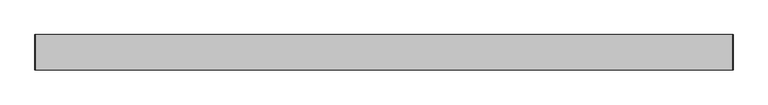
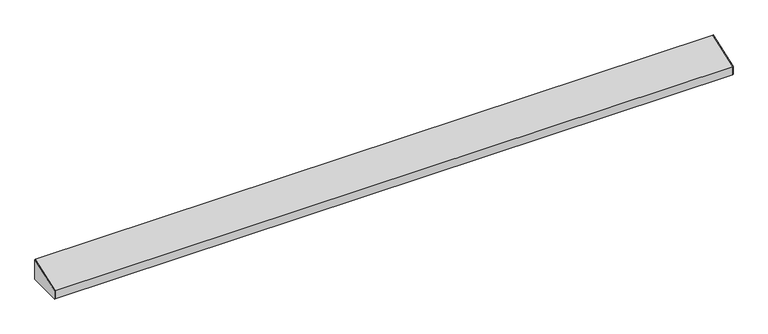
"""IFC4 building model written with IfcOpenShell, lengths in millimetres: furniture geometry."""

import ifcopenshell
import ifcopenshell.guid

model = None  # the IFC model being written
_history = None  # IfcOwnerHistory: only IFC2X3 demands one
_inside = {}  # id of a spatial element -> (the spatial element, [elements in it])
_under = {}  # id of a project, library or spatial element -> (it, [spatial elements below it])
_declared = {}  # id of a project -> (the project, [libraries it declares])
_typed = {}  # id of a type object -> (the type object, [elements of that type])
_made_of = {}  # id of a material, layer set ... -> (it, [elements and type objects made of it])


def new_model(schema):
    """Start an empty IFC model of exactly this schema.

    Asked for "IFC4X3", IfcOpenShell would pick the latest addendum, in which some entities
    have other attributes; the version numbers below select the first issue.
    IFC2X3 requires an IfcOwnerHistory on every rooted entity: one is made here for all.
    """
    global model, _history
    if schema == "IFC4X3":
        model = ifcopenshell.file(schema_version=(4, 3, 0, 0))
    else:
        model = ifcopenshell.file(schema=schema)
    _inside.clear()
    _under.clear()
    _declared.clear()
    _typed.clear()
    _made_of.clear()
    _history = None
    if model.schema == "IFC2X3":
        org = make("IfcOrganization", Name="unknown")
        user = make(
            "IfcPersonAndOrganization",
            ThePerson=make("IfcPerson", FamilyName="unknown"),
            TheOrganization=org,
        )
        app = make(
            "IfcApplication",
            ApplicationDeveloper=org,
            Version="unknown",
            ApplicationFullName="unknown",
            ApplicationIdentifier="unknown",
        )
        _history = make(
            "IfcOwnerHistory",
            OwningUser=user,
            OwningApplication=app,
            ChangeAction="ADDED",
            CreationDate=0,
        )
    return model


def make(cls, **values):
    """One entity of the class cls with the attributes given. An attribute that is None is left unset."""
    return model.create_entity(
        cls, **{name: value for name, value in values.items() if value is not None}
    )


def rooted(cls, **values):
    """An entity with a GlobalId (a new one), such as an element, a storey or a relation."""
    return make(cls, GlobalId=ifcopenshell.guid.new(), OwnerHistory=_history, **values)


def si_unit(unit_type, name, prefix=None):
    """IfcSIUnit, for example si_unit("LENGTHUNIT", "METRE", prefix="MILLI")."""
    return make("IfcSIUnit", UnitType=unit_type, Prefix=prefix, Name=name)


def assignment(units):
    """IfcUnitAssignment: the units of a project."""
    return None if units is None else make("IfcUnitAssignment", Units=units)


def point(xyz):
    """IfcCartesianPoint."""
    return None if xyz is None else make("IfcCartesianPoint", Coordinates=xyz)


def direction(xyz):
    """IfcDirection."""
    return None if xyz is None else make("IfcDirection", DirectionRatios=xyz)


def frame(location, z_axis=None, x_axis=None):
    """IfcAxis2Placement3D, a coordinate frame: its origin and axes. An axis left out is left unset."""
    return make(
        "IfcAxis2Placement3D",
        Location=point(location),
        Axis=direction(z_axis),
        RefDirection=direction(x_axis),
    )


def origin():
    """The frame at (0, 0, 0) with its axes left unset."""
    return frame((0.0, 0.0, 0.0))


def place(relative_to, where):
    """IfcLocalPlacement: puts the frame where relative to a parent placement (None: the world)."""
    return make(
        "IfcLocalPlacement", PlacementRelTo=relative_to, RelativePlacement=where
    )


def context(
    kind, dimensions, precision=None, world=None, true_north=None, identifier=None
):
    """IfcGeometricRepresentationContext, for example the 3D "Model" context."""
    return make(
        "IfcGeometricRepresentationContext",
        ContextIdentifier=identifier,
        ContextType=kind,
        CoordinateSpaceDimension=dimensions,
        Precision=precision,
        WorldCoordinateSystem=world,
        TrueNorth=true_north,
    )


def project(units=None, contexts=None):
    """IfcProject with its units and contexts."""
    return rooted(
        "IfcProject",
        Name="project",
        RepresentationContexts=contexts,
        UnitsInContext=assignment(units),
    )


def spatial(cls, under=None, at=None, **own):
    """A site, building, storey or space (cls), placed at a placement, below another one or the project."""
    s = rooted(cls, ObjectPlacement=at, **own)
    if under is not None:
        _under.setdefault(under.id(), (under, []))[1].append(s)
    return s


def polyline(points):
    """IfcPolyline through the points."""
    return make("IfcPolyline", Points=[point(p) for p in points])


def outline(outer, holes=None, kind="AREA"):
    """IfcArbitraryClosedProfileDef: a profile drawn as a closed curve; with holes, ...WithVoids."""
    if holes is None:
        return make("IfcArbitraryClosedProfileDef", ProfileType=kind, OuterCurve=outer)
    return make(
        "IfcArbitraryProfileDefWithVoids",
        ProfileType=kind,
        OuterCurve=outer,
        InnerCurves=holes,
    )


def extrude(swept, where, along, depth):
    """IfcExtrudedAreaSolid: the profile swept, set in the frame where, extruded along a direction by depth."""
    return make(
        "IfcExtrudedAreaSolid",
        SweptArea=swept,
        Position=where,
        ExtrudedDirection=direction(along),
        Depth=depth,
    )


def shape(context_of_items, identifier, shape_type, items):
    """IfcShapeRepresentation: the items that make up one representation, for example the "Body"."""
    return make(
        "IfcShapeRepresentation",
        ContextOfItems=context_of_items,
        RepresentationIdentifier=identifier,
        RepresentationType=shape_type,
        Items=items,
    )


def source(mapping_origin, context_of_items, identifier, shape_type, items):
    """IfcRepresentationMap: a shape defined once, which mapped items show again and again."""
    return make(
        "IfcRepresentationMap",
        MappingOrigin=mapping_origin,
        MappedRepresentation=shape(context_of_items, identifier, shape_type, items),
    )


def transform(
    local_origin,
    x_axis=None,
    y_axis=None,
    z_axis=None,
    scale=None,
    scale2=None,
    scale3=None,
    uniform=True,
):
    """IfcCartesianTransformationOperator3D, or its non-uniform kind. x_axis, y_axis, z_axis: its Axis1, 2, 3."""
    if uniform:
        return make(
            "IfcCartesianTransformationOperator3D",
            Axis1=direction(x_axis),
            Axis2=direction(y_axis),
            LocalOrigin=point(local_origin),
            Scale=scale,
            Axis3=direction(z_axis),
        )
    return make(
        "IfcCartesianTransformationOperator3DnonUniform",
        Axis1=direction(x_axis),
        Axis2=direction(y_axis),
        LocalOrigin=point(local_origin),
        Scale=scale,
        Axis3=direction(z_axis),
        Scale2=scale2,
        Scale3=scale3,
    )


def mapped(mapping_source, mapping_target):
    """IfcMappedItem: shows the shape of a source again, moved by a transform."""
    return make(
        "IfcMappedItem", MappingSource=mapping_source, MappingTarget=mapping_target
    )


def made_of(thing, what):
    """Note that an element or type object is made of a material, layer set ...; save() writes the relation."""
    if what is not None:
        _made_of.setdefault(what.id(), (what, []))[1].append(thing)
    return thing


def element(
    cls,
    number,
    at=None,
    inside=None,
    cuts=None,
    type_object=None,
    material=None,
    context=None,
    identifier="Body",
    shape_type=None,
    held_by="IfcProductDefinitionShape",
    body=None,
    shapes=None,
    **own,
):
    """One element of the class cls, such as IfcWall. Its Tag is "e" and its number.

    at: its placement. inside: the storey or other place that contains it. cuts: it is an
    opening in that element (IfcRelVoidsElement). A single representation is given by context,
    identifier, shape_type and body (its items); several are given by shapes. held_by: the class
    of the entity that holds the representations. save() writes the other relations.
    """
    e = rooted(cls, Tag="e%d" % number, ObjectPlacement=at, **own)
    if body is not None:
        shapes = [shape(context, identifier, shape_type, body)]
    if shapes is not None:
        e.Representation = make(held_by, Representations=shapes)
    if inside is not None:
        _inside.setdefault(inside.id(), (inside, []))[1].append(e)
    if cuts is not None:
        rooted(
            "IfcRelVoidsElement", RelatingBuildingElement=cuts, RelatedOpeningElement=e
        )
    if type_object is not None:
        _typed.setdefault(type_object.id(), (type_object, []))[1].append(e)
    return made_of(e, material)


def aggregate(whole, parts):
    """IfcRelAggregates: a whole, such as a stair, and the parts it consists of."""
    return rooted("IfcRelAggregates", RelatingObject=whole, RelatedObjects=parts)


def save(model, path):
    """Write the relations noted so far, then the file.

    IfcRelAggregates (storeys below a building ...), IfcRelContainedInSpatialStructure (elements
    in a storey), IfcRelDefinesByType, IfcRelAssociatesMaterial and IfcRelDeclares: one each for
    every whole, place, type object, material and project.
    """
    for whole, parts in _under.values():
        aggregate(whole, parts)
    for where, things in _inside.values():
        rooted(
            "IfcRelContainedInSpatialStructure",
            RelatedElements=things,
            RelatingStructure=where,
        )
    for kind, things in _typed.values():
        rooted("IfcRelDefinesByType", RelatedObjects=things, RelatingType=kind)
    for what, things in _made_of.values():
        rooted("IfcRelAssociatesMaterial", RelatedObjects=things, RelatingMaterial=what)
    for by, libraries in _declared.values():
        rooted("IfcRelDeclares", RelatingContext=by, RelatedDefinitions=libraries)
    model.write(path)


def furniture_dbb8aa06(model_context):
    return source(origin(), model_context, "Body", "SweptSolid", [
        extrude(outline(polyline([(-97.4564663, 2139.0147566), (-21.2564662, 2166.2710675), (-21.2564662, 2120.2335675), (-97.4564662, 2120.2335675), (-97.4564663, 2139.0147566)])), frame((766.4502049, 0.0, 0.0), z_axis=(1.0, 0.0, 0.0), x_axis=(0.0, 1.0, 0.0)), (0.0, 0.0, 1.0), 0.79375),
        extrude(outline(polyline([(-21.2564662, 2120.2335675), (-97.4564662, 2120.2335675), (-97.4564662, 2139.0147566), (-21.2564662, 2166.2710675), (-21.2564662, 2120.2335675)])), frame((-729.7685451, 0.0, 0.0), z_axis=(1.0, 0.0, 0.0), x_axis=(0.0, 1.0, 0.0)), (0.0, 0.0, 1.0), 0.79375),
        extrude(outline(polyline([(-21.2564662, 2120.2335675), (-33.9564662, 2120.2335675), (-33.9564662, 2121.0273175), (-22.0502162, 2121.0273175), (-22.0502162, 2165.1884161), (-96.6627162, 2138.509908), (-96.6627162, 2121.0273175), (-84.7564662, 2121.0273175), (-84.7564662, 2120.2335675), (-97.4564662, 2120.2335675), (-97.4564662, 2139.0147566), (-21.2564662, 2166.2710675), (-21.2564662, 2120.2335675)])), frame((-728.9747951, 0.0, 0.0), z_axis=(1.0, 0.0, 0.0), x_axis=(0.0, 1.0, 0.0)), (0.0, 0.0, 1.0), 1495.425),
    ])


if __name__ == "__main__":
    model = new_model("IFC4")
    model_context = context("Model", 3, world=origin())
    ifc_project = project(units=[si_unit("LENGTHUNIT", "METRE", prefix="MILLI")], contexts=[model_context])
    site = spatial("IfcSite", under=ifc_project)
    building = spatial("IfcBuilding", under=site)
    placement = place(None, origin())
    furniture_shape = furniture_dbb8aa06(model_context)
    element("IfcFurniture", 1, at=placement, inside=building, context=model_context, shape_type="MappedRepresentation", body=[
        mapped(furniture_shape, transform((0.0, 0.0, 0.0), x_axis=(1.0, 0.0, 0.0), y_axis=(0.0, 1.0, 0.0), z_axis=(0.0, 0.0, 1.0))),
    ])
    save(model, "model.ifc")
